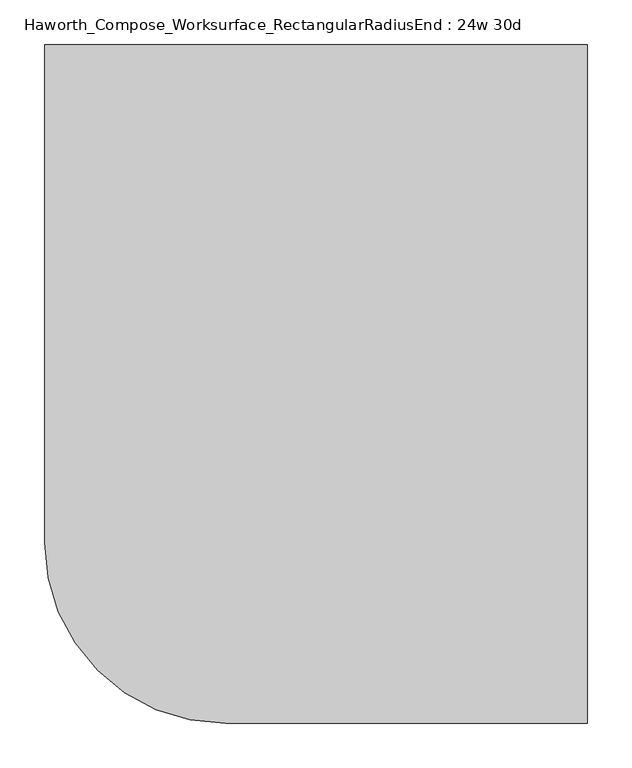
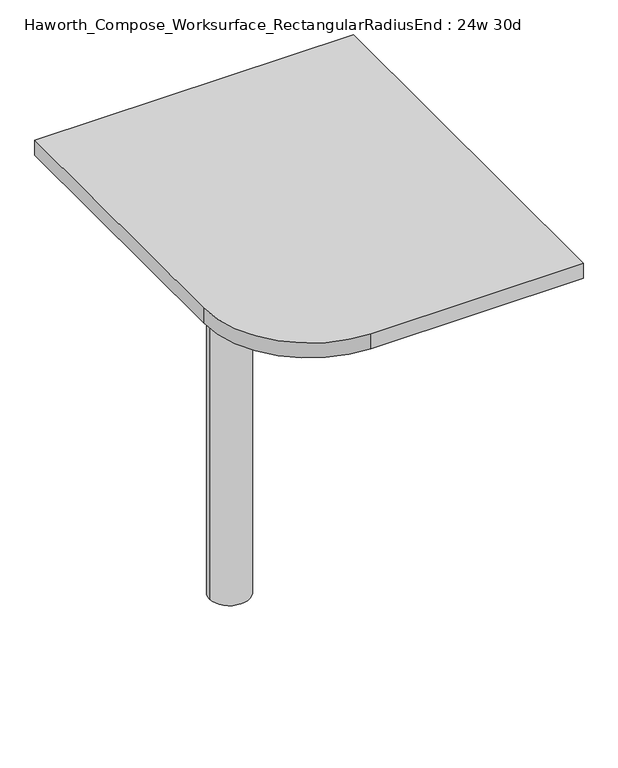
"""IFC4 building model written with IfcOpenShell, lengths in millimetres: furniture geometry, Haworth_Compose_Worksurface_RectangularRadiusEnd : 24w 30d."""

from ifc_helpers import new_model, si_unit, point, frame, frame_2d, origin, place, context, project, spatial, polyline, circle_curve, trimmed, segment, composite_curve, outline, extrude, source, transform, mapped, element, save
from ifc_brep_helpers import plane_surface, cylinder_surface, revolved_surface, advanced_brep


def haworth_compose_worksurface_rectangularradiusend_24w_30d_188e91ce(model_context):
    return source(origin(), model_context, "Body", "SolidModel", [
        advanced_brep(
        [(299.24375, 381.0, 475.45625), (299.24375, 365.125, 475.45625), (299.24375, -25.4, 691.7192568), (299.24375, -25.4, 704.05625), (299.24375, 365.125, 704.05625), (299.24375, 381.0, 704.05625), (299.24375, 297.690072, 665.95625), (299.24375, 254.0355284, 665.95625), (299.24375, 251.3564235, 656.3705539), (299.24375, 343.0776173, 605.5776439), (299.24375, 352.425, 611.1756969), (299.24375, 352.425, 634.6860246), (299.24375, 350.6730055, 637.5242776), (299.24375, 300.7663437, 665.1613425), (301.625, 381.0, 475.45625), (301.625, 381.0, 704.05625), (301.625, 365.125, 704.05625), (301.625, 365.125, 706.4375), (301.625, -25.4, 706.4375), (301.625, -25.4, 691.7192568), (301.625, 365.125, 475.45625), (301.625, 297.690072, 665.95625), (301.625, 300.7663437, 665.1613425), (301.625, 350.6730055, 637.5242776), (301.625, 352.425, 634.6860246), (301.625, 352.425, 611.1756969), (301.625, 343.0776173, 605.5776439), (301.625, 251.3564235, 656.3705539), (301.625, 254.0355284, 665.95625), (260.35, -25.4, 706.4375), (260.35, -25.4, 704.05625), (260.35, 365.125, 704.05625), (260.35, 365.125, 706.4375)],
        [
            (0, 1),
            (1, 2),
            (2, 3),
            (3, 4),
            (4, 5),
            (5, 0),
            (6, 7),
            (7, 8, circle_curve(frame((299.24375, 254.0355284, 660.7890106), z_axis=(1.0, 0.0, 0.0), x_axis=(0.0, -1.0, 0.0)), 5.1672394)),
            (8, 9),
            (9, 10, circle_curve(frame((299.24375, 346.075, 611.1756969), z_axis=(1.0, 0.0, 0.0), x_axis=(0.0, -1.0, 0.0)), 6.35)),
            (10, 11),
            (11, 12, circle_curve(frame((299.24375, 349.25, 634.6860246), z_axis=(1.0, 0.0, 0.0), x_axis=(0.0, -1.0, 0.0)), 3.175)),
            (12, 13),
            (13, 6, circle_curve(frame((299.24375, 297.690072, 659.60625), z_axis=(1.0, 0.0, 0.0), x_axis=(0.0, -1.0, 0.0)), 6.35)),
            (14, 15),
            (15, 16),
            (16, 17),
            (17, 18),
            (18, 19),
            (19, 20),
            (20, 14),
            (21, 22, circle_curve(frame((301.625, 297.690072, 659.60625), z_axis=(-1.0, 0.0, 0.0), x_axis=(0.0, -1.0, 0.0)), 6.35)),
            (22, 23),
            (23, 24, circle_curve(frame((301.625, 349.25, 634.6860246), z_axis=(-1.0, 0.0, 0.0), x_axis=(0.0, -1.0, 0.0)), 3.175)),
            (24, 25),
            (25, 26, circle_curve(frame((301.625, 346.075, 611.1756969), z_axis=(-1.0, 0.0, 0.0), x_axis=(0.0, -1.0, 0.0)), 6.35)),
            (26, 27),
            (27, 28, circle_curve(frame((301.625, 254.0355284, 660.7890106), z_axis=(-1.0, 0.0, 0.0), x_axis=(0.0, -1.0, 0.0)), 5.1672394)),
            (28, 21),
            (4, 16),
            (15, 5),
            (14, 0),
            (20, 1),
            (19, 2),
            (18, 29),
            (29, 30),
            (30, 3),
            (6, 21),
            (28, 7),
            (9, 26),
            (25, 10),
            (24, 11),
            (23, 12),
            (27, 8),
            (31, 4),
            (30, 31),
            (32, 29),
            (17, 32),
            (31, 32),
            (22, 13),
        ],
        [
            plane_surface(frame((299.24375, 381.0, 475.45625), z_axis=(-1.0, 0.0, 0.0), x_axis=(0.0, 1.0, 0.0))),
            plane_surface(frame((301.625, 381.0, 475.45625), z_axis=(1.0, 0.0, 0.0), x_axis=(0.0, -1.0, 0.0))),
            plane_surface(frame((301.625, -25.4, 704.05625), z_axis=(0.0, 0.0, 1.0), x_axis=(-1.0, 0.0, 0.0))),
            plane_surface(frame((301.625, 381.0, 704.05625), z_axis=(0.0, 1.0, 0.0), x_axis=(-1.0, 0.0, 0.0))),
            plane_surface(frame((301.625, 381.0, 475.45625), z_axis=(0.0, 0.0, -1.0), x_axis=(-1.0, 0.0, 0.0))),
            plane_surface(frame((301.625, 365.125, 475.45625), z_axis=(0.0, -0.48445223513455843, -0.8748177135112952), x_axis=(-1.0, 0.0, 0.0))),
            plane_surface(frame((301.625, -25.4, 691.7192568), z_axis=(0.0, -1.0, 0.0), x_axis=(-1.0, 0.0, 0.0))),
            plane_surface(frame((301.625, 297.690072, 665.95625), z_axis=(0.0, 0.0, -1.0), x_axis=(-1.0, 0.0, 0.0))),
            revolved_surface(polyline([(299.24375, 339.72499999999997, 611.1756969), (301.625, 339.72499999999997, 611.1756969)]), (301.625, 346.075, 611.1756969), (-1.0, 0.0, 0.0)),
            plane_surface(frame((301.625, 352.425, 611.1756969), z_axis=(0.0, -1.0, 0.0), x_axis=(-1.0, 0.0, 0.0))),
            revolved_surface(polyline([(299.24375, 346.075, 634.6860246), (301.625, 346.075, 634.6860246)]), (301.625, 349.25, 634.6860246), (-1.0, 0.0, 0.0)),
            revolved_surface(polyline([(299.24375, 248.868289, 660.7890106), (301.625, 248.868289, 660.7890106)]), (301.625, 254.0355284, 660.7890106), (-1.0, 0.0, 0.0)),
            plane_surface(frame((301.625, 365.125, 704.05625), z_axis=(0.0, 0.0, -1.0), x_axis=(-1.0, 0.0, 0.0))),
            plane_surface(frame((301.625, 365.125, 706.4375), z_axis=(0.0, 0.0, 1.0), x_axis=(1.0, 0.0, 0.0))),
            plane_surface(frame((260.35, 365.125, 706.4375), z_axis=(0.0, 1.0, 0.0), x_axis=(0.0, 0.0, -1.0))),
            plane_surface(frame((260.35, -25.4, 706.4375), z_axis=(-1.0, 0.0, 0.0), x_axis=(0.0, 0.0, -1.0))),
            plane_surface(frame((301.625, 251.3564235, 656.3705539), z_axis=(0.0, 0.4844522351345583, 0.8748177135112953), x_axis=(-1.0, 0.0, 0.0))),
            plane_surface(frame((301.625, 350.6730055, 637.5242776), z_axis=(0.0, -0.4844522351345582, -0.8748177135112953), x_axis=(-1.0, 0.0, 0.0))),
            revolved_surface(polyline([(299.24375, 291.34007199999996, 659.60625), (301.625, 291.34007199999996, 659.60625)]), (301.625, 297.690072, 659.60625), (-1.0, 0.0, 0.0)),
        ],
        [
            (0, [[1, 2, 3, 4, 5, 6], [7, 8, 9, 10, 11, 12, 13, 14]]),
            (1, [[15, 16, 17, 18, 19, 20, 21], [22, 23, 24, 25, 26, 27, 28, 29]]),
            (2, [[-5, 30, -16, 31]]),
            (3, [[-31, -15, 32, -6]]),
            (4, [[-32, -21, 33, -1]]),
            (5, [[-33, -20, 34, -2]]),
            (6, [[-34, -19, 35, 36, 37, -3]]),
            (7, [[38, -29, 39, -7]]),
            (8, [[40, -26, 41, -10]]),
            (9, [[-41, -25, 42, -11]]),
            (10, [[-42, -24, 43, -12]]),
            (11, [[-39, -28, 44, -8]]),
            (12, [[45, -4, -37, 46]]),
            (13, [[47, -35, -18, 48]]),
            (14, [[-17, -30, -45, 49, -48]]),
            (15, [[-36, -47, -49, -46]]),
            (16, [[-44, -27, -40, -9]]),
            (17, [[-43, -23, 50, -13]]),
            (18, [[-50, -22, -38, -14]]),
        ],
    ),
        advanced_brep(
        [(-114.3, 0.0, 706.4375), (-190.5, 0.0, 706.4375), (-152.4, 0.0, 706.4375), (-114.3, 0.0, 0.0), (-190.5, 0.0, 0.0), (-152.4, 0.0, 0.0)],
        [
            (0, 1, circle_curve(frame((-152.4, 0.0, 706.4375), z_axis=(0.0, 0.0, 1.0), x_axis=(-1.0, 0.0, 0.0)), 38.1)),
            (1, 2),
            (2, 0),
            (1, 0, circle_curve(frame((-152.4, 0.0, 706.4375), z_axis=(0.0, 0.0, 1.0), x_axis=(-1.0, 0.0, 0.0)), 38.1)),
            (3, 4, circle_curve(frame((-152.4, 0.0, 0.0), z_axis=(0.0, 0.0, 1.0), x_axis=(-1.0, 0.0, 0.0)), 38.1)),
            (4, 1),
            (0, 3),
            (4, 3, circle_curve(frame((-152.4, 0.0, 0.0), z_axis=(0.0, 0.0, 1.0), x_axis=(-1.0, 0.0, 0.0)), 38.1)),
            (5, 4),
            (3, 5),
        ],
        [
            plane_surface(frame((-152.4, 0.0, 706.4375), z_axis=(0.0, 0.0, 1.0), x_axis=(-1.0, 0.0, 0.0))),
            cylinder_surface(frame((-152.4, 0.0, 889.623257), z_axis=(0.0, 0.0, -1.0), x_axis=(-1.0, 0.0, 0.0)), 38.1),
            plane_surface(frame((-152.4, 0.0, 0.0), z_axis=(0.0, 0.0, -1.0), x_axis=(-1.0, 0.0, 0.0))),
        ],
        [
            (0, [[1, 2, 3]]),
            (0, [[4, -3, -2]]),
            (1, [[5, 6, -1, 7]]),
            (1, [[8, -7, -4, -6]]),
            (2, [[9, -5, 10]]),
            (2, [[-10, -8, -9]]),
        ],
    ),
        extrude(outline(composite_curve([segment(polyline([(304.8, 381.0), (304.8, -381.0), (-101.6, -381.0)]), True, "CONTINUOUS"), segment(trimmed(circle_curve(frame_2d((-101.6, -177.8)), 203.2), [point((-101.6, -381.0))], [point((-304.8, -177.8))], False, "CARTESIAN"), True, "CONTINUOUS"), segment(polyline([(-304.8, -177.8), (-304.8, 381.0), (304.8, 381.0)]), True, "CONTINUOUS")], self_intersect=False)), frame((0.0, 0.0, 706.4375), z_axis=(0.0, 0.0, 1.0), x_axis=(1.0, 0.0, 0.0)), (0.0, 0.0, 1.0), 30.1625),
    ])


if __name__ == "__main__":
    model = new_model("IFC4")
    model_context = context("Model", 3, world=origin())
    ifc_project = project(units=[si_unit("LENGTHUNIT", "METRE", prefix="MILLI")], contexts=[model_context])
    site = spatial("IfcSite", under=ifc_project)
    building = spatial("IfcBuilding", under=site)
    placement = place(None, origin())
    haworth_compose_worksurface_rectangularradiusend_24w_30d_shape = haworth_compose_worksurface_rectangularradiusend_24w_30d_188e91ce(model_context)
    element("IfcFurniture", 1, ObjectType="Haworth_Compose_Worksurface_RectangularRadiusEnd : 24w 30d", at=placement, inside=building, context=model_context, shape_type="MappedRepresentation", body=[
        mapped(haworth_compose_worksurface_rectangularradiusend_24w_30d_shape, transform((0.0, 0.0, 0.0), x_axis=(1.0, 0.0, 0.0), y_axis=(0.0, 1.0, 0.0), z_axis=(0.0, 0.0, 1.0))),
    ])
    save(model, "model.ifc")
